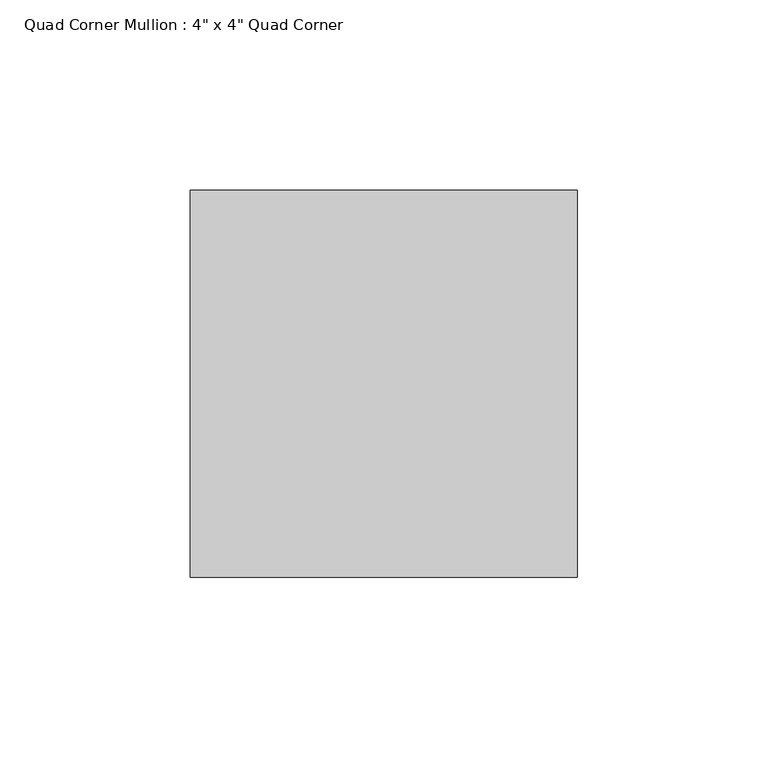
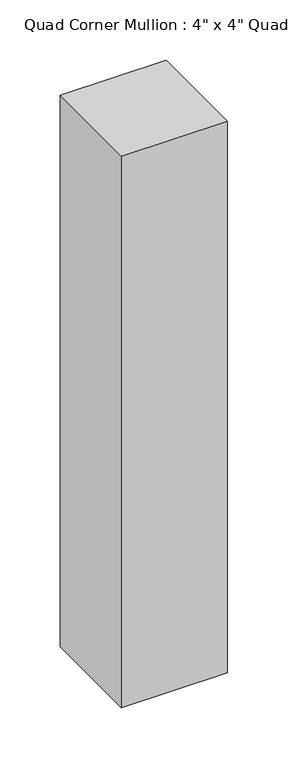
"""IFC4 building model written with IfcOpenShell, lengths in millimetres: member geometry."""

from ifc_helpers import new_model, si_unit, frame, origin, place, context, project, spatial, polyline, outline, extrude, source, transform, mapped, element, save


def member_2a93d6b8(model_context):
    return source(origin(), model_context, "Body", "SweptSolid", [
        extrude(outline(polyline([(50.8, 50.8), (50.8, -50.8), (-50.8, -50.8), (-50.8, 50.8), (50.8, 50.8)])), frame((0.0, 0.0, -558.8), z_axis=(0.0, 0.0, 1.0), x_axis=(1.0, 0.0, 0.0)), (0.0, 0.0, 1.0), 558.8),
    ])


if __name__ == "__main__":
    model = new_model("IFC4")
    model_context = context("Model", 3, world=origin())
    ifc_project = project(units=[si_unit("LENGTHUNIT", "METRE", prefix="MILLI")], contexts=[model_context])
    site = spatial("IfcSite", under=ifc_project)
    building = spatial("IfcBuilding", under=site)
    placement = place(None, origin())
    member_shape = member_2a93d6b8(model_context)
    element("IfcMember", 1, ObjectType="Quad Corner Mullion : 4\" x 4\" Quad Corner", at=placement, inside=building, context=model_context, shape_type="MappedRepresentation", body=[
        mapped(member_shape, transform((0.0, 0.0, 0.0), x_axis=(1.0, 0.0, 0.0), y_axis=(0.0, 1.0, 0.0), z_axis=(0.0, 0.0, 1.0))),
    ])
    save(model, "model.ifc")
